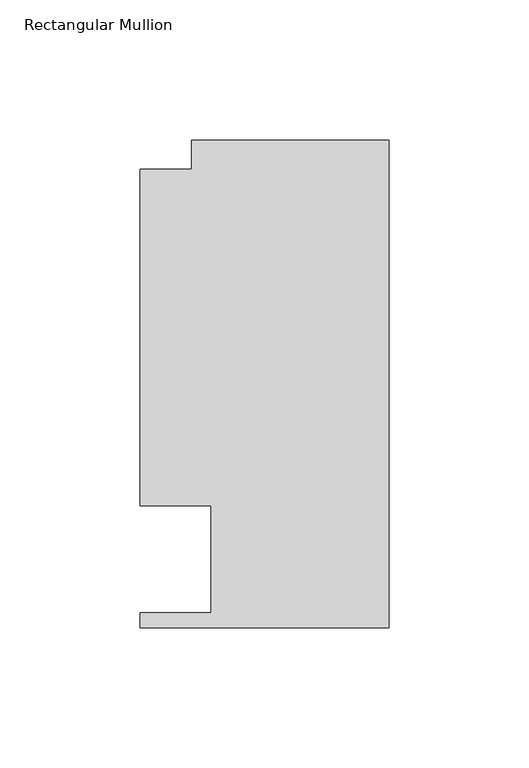
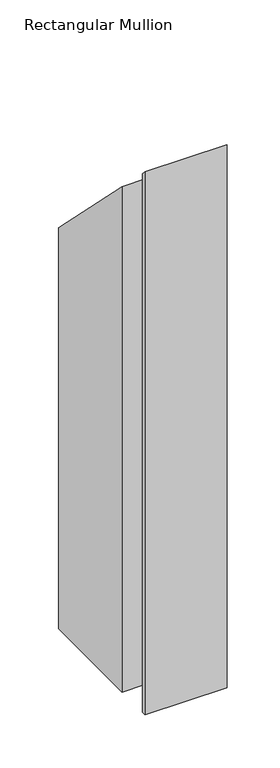
"""IFC4 building model written with IfcOpenShell, lengths in millimetres: member geometry, Rectangular Mullion."""

from ifc_helpers import new_model, si_unit, origin, place, context, project, spatial, faceted_brep, source, transform, mapped, element, save


def rectangular_mullion_38e9dc66(model_context):
    return source(origin(), model_context, "Body", "Brep", [
        faceted_brep([(-88.9131928, 151.892, -613.262984), (-70.395709, 151.892, -613.262984), (-70.395709, 162.3059961, -613.262984), (0.0, 162.3059961, -613.262984), (0.0, -11.684, -613.262984), (-88.9131928, -11.684, -613.262984), (-88.9131928, -6.35, -613.262984), (-63.5131928, -6.35, -613.262984), (-63.5131928, 31.75, -613.262984), (-88.9131928, 31.75, -613.262984), (-88.9131928, 31.75, -31.75), (-88.9131928, 151.892, -151.892), (-63.5131928, 31.75, -31.75), (-63.5131928, -6.35, 6.35), (-88.9131928, -6.35, 6.35), (-88.9131928, -11.684, 11.684), (0.0, -11.684, 11.684), (0.0, 162.3059961, -162.3059961), (-70.395709, 162.3059961, -162.3059961), (-70.395709, 151.892, -151.892)], [[[0, 1, 2, 3, 4, 5, 6, 7, 8, 9]], [[10, 11, 0, 9]], [[12, 10, 9, 8]], [[13, 12, 8, 7]], [[14, 13, 7, 6]], [[15, 14, 6, 5]], [[16, 15, 5, 4]], [[17, 16, 4, 3]], [[18, 17, 3, 2]], [[19, 18, 2, 1]], [[11, 19, 1, 0]], [[11, 10, 12, 13, 14, 15, 16, 17, 18, 19]]]),
    ])


if __name__ == "__main__":
    model = new_model("IFC4")
    model_context = context("Model", 3, world=origin())
    ifc_project = project(units=[si_unit("LENGTHUNIT", "METRE", prefix="MILLI")], contexts=[model_context])
    site = spatial("IfcSite", under=ifc_project)
    building = spatial("IfcBuilding", under=site)
    placement = place(None, origin())
    rectangular_mullion_shape = rectangular_mullion_38e9dc66(model_context)
    element("IfcMember", 1, ObjectType="Rectangular Mullion", at=placement, inside=building, context=model_context, shape_type="MappedRepresentation", body=[
        mapped(rectangular_mullion_shape, transform((0.0, 0.0, 0.0), x_axis=(1.0, 0.0, 0.0), y_axis=(0.0, 1.0, 0.0), z_axis=(0.0, 0.0, 1.0))),
    ])
    save(model, "model.ifc")
